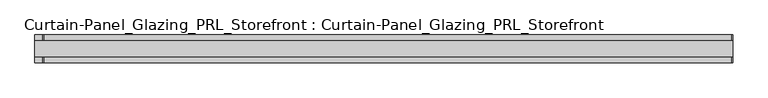
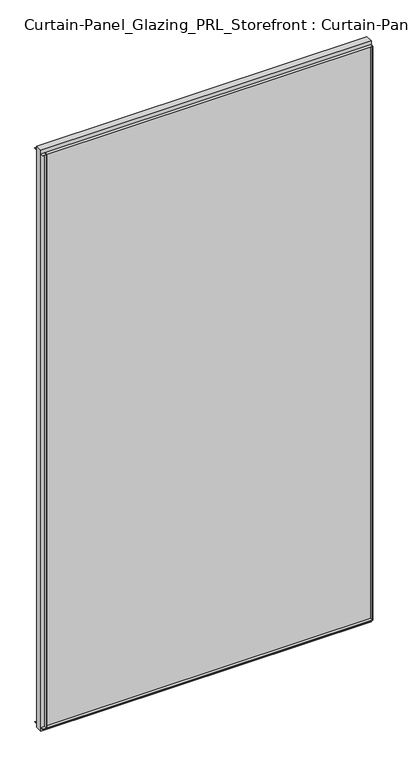
"""IFC4 building model written with IfcOpenShell, lengths in millimetres: plate geometry, Curtain-Panel_Glazing_PRL_Storefront : Curtain-Panel_Glazing_PRL_Storefront."""

from ifc_helpers import new_model, si_unit, frame, origin, origin_with_axes, place, context, project, spatial, polyline, outline, extrude, source, transform, mapped, element, save


def curtain_panel_glazing_prl_storefront_curtain_panel_glazing_58e5432b(model_context):
    return source(origin(), model_context, "Body", "SweptSolid", [
        extrude(outline(polyline([(530.225, -22.225), (528.6375, -22.225), (528.6375, -12.7), (530.225, -12.7), (530.225, -22.225)])), frame((0.0, 0.0, 12.7), z_axis=(0.0, 0.0, 1.0), x_axis=(1.0, 0.0, 0.0)), (0.0, 0.0, 1.0), 2051.05),
        extrude(outline(polyline([(530.225, 22.225), (530.225, 12.7), (528.6375, 12.7), (528.6375, 22.225), (530.225, 22.225)])), frame((0.0, 0.0, 12.7), z_axis=(0.0, 0.0, 1.0), x_axis=(1.0, 0.0, 0.0)), (0.0, 0.0, 1.0), 2051.05),
        extrude(outline(polyline([(-574.675, -22.225), (-574.675, -12.7), (-573.0875, -12.7), (-573.0875, -22.225), (-574.675, -22.225)])), frame((0.0, 0.0, 12.7), z_axis=(0.0, 0.0, 1.0), x_axis=(1.0, 0.0, 0.0)), (0.0, 0.0, 1.0), 2051.05),
        extrude(outline(polyline([(-574.675, 22.225), (-573.0875, 22.225), (-573.0875, 12.7), (-574.675, 12.7), (-574.675, 22.225)])), frame((0.0, 0.0, 12.7), z_axis=(0.0, 0.0, 1.0), x_axis=(1.0, 0.0, 0.0)), (0.0, 0.0, 1.0), 2051.05),
        extrude(outline(polyline([(530.225, 12.7), (530.225, -12.7), (-587.375, -12.7), (-587.375, 12.7), (530.225, 12.7)])), origin_with_axes(), (0.0, 0.0, 1.0), 2076.45),
        extrude(outline(polyline([(-587.375, -22.225), (-587.375, -12.7), (530.225, -12.7), (530.225, -22.225), (-587.375, -22.225)])), frame((0.0, 0.0, 2062.1625), z_axis=(0.0, 0.0, 1.0), x_axis=(1.0, 0.0, 0.0)), (0.0, 0.0, 1.0), 1.5875),
        extrude(outline(polyline([(-587.375, 22.225), (530.225, 22.225), (530.225, 12.7), (-587.375, 12.7), (-587.375, 22.225)])), frame((0.0, 0.0, 2062.1625), z_axis=(0.0, 0.0, 1.0), x_axis=(1.0, 0.0, 0.0)), (0.0, 0.0, 1.0), 1.5875),
        extrude(outline(polyline([(-587.375, -22.225), (-587.375, -12.7), (530.225, -12.7), (530.225, -22.225), (-587.375, -22.225)])), frame((0.0, 0.0, 12.7), z_axis=(0.0, 0.0, 1.0), x_axis=(1.0, 0.0, 0.0)), (0.0, 0.0, 1.0), 1.5875),
        extrude(outline(polyline([(-587.375, 22.225), (530.225, 22.225), (530.225, 12.7), (-587.375, 12.7), (-587.375, 22.225)])), frame((0.0, 0.0, 12.7), z_axis=(0.0, 0.0, 1.0), x_axis=(1.0, 0.0, 0.0)), (0.0, 0.0, 1.0), 1.5875),
    ])


if __name__ == "__main__":
    model = new_model("IFC4")
    model_context = context("Model", 3, world=origin())
    ifc_project = project(units=[si_unit("LENGTHUNIT", "METRE", prefix="MILLI")], contexts=[model_context])
    site = spatial("IfcSite", under=ifc_project)
    building = spatial("IfcBuilding", under=site)
    placement = place(None, origin())
    curtain_panel_glazing_prl_storefront_curtain_panel_glazing_shape = curtain_panel_glazing_prl_storefront_curtain_panel_glazing_58e5432b(model_context)
    element("IfcPlate", 1, ObjectType="Curtain-Panel_Glazing_PRL_Storefront : Curtain-Panel_Glazing_PRL_Storefront", at=placement, inside=building, context=model_context, shape_type="MappedRepresentation", body=[
        mapped(curtain_panel_glazing_prl_storefront_curtain_panel_glazing_shape, transform((0.0, 0.0, 0.0), x_axis=(1.0, 0.0, 0.0), y_axis=(0.0, 1.0, 0.0), z_axis=(0.0, 0.0, 1.0))),
    ])
    save(model, "model.ifc")
